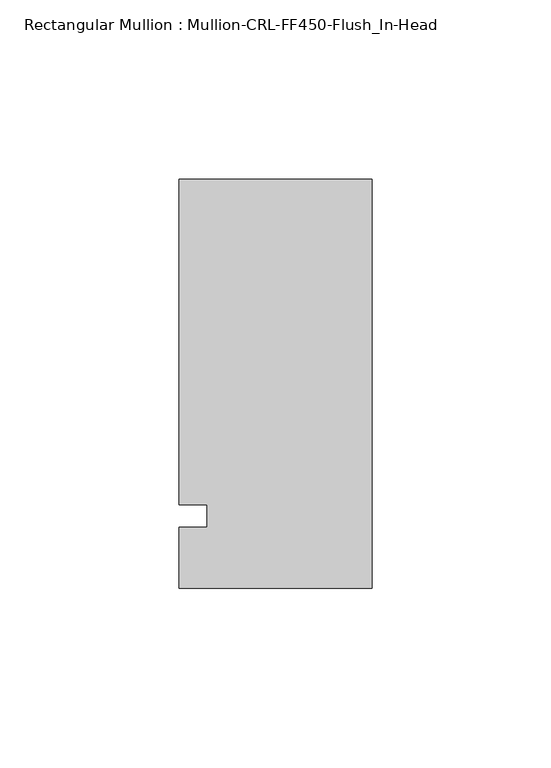
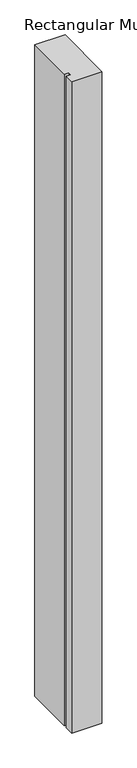
"""IFC4 building model written with IfcOpenShell, lengths in millimetres: member geometry, Rectangular Mullion : Mullion-CRL-FF450-Flush_In-Head."""

from ifc_helpers import new_model, si_unit, frame, origin, place, context, project, spatial, polyline, outline, extrude, source, transform, mapped, element, save


def rectangular_mullion_mullion_crl_ff450_flush_in_head_4e334f8f(model_context):
    return source(origin(), model_context, "Body", "SweptSolid", [
        extrude(outline(polyline([(0.0, 94.1598412), (0.0, -20.1219975), (-53.9750401, -20.1219975), (-53.9750401, -3.1555912), (-46.0375401, -3.1555912), (-46.0375401, 3.1944088), (-53.9750401, 3.1944088), (-53.9750401, 94.1598412), (0.0, 94.1598412)])), frame((0.0, 0.0, -1231.8999801), z_axis=(0.0, 0.0, 1.0), x_axis=(1.0, 0.0, 0.0)), (0.0, 0.0, 1.0), 1231.8999801),
    ])


if __name__ == "__main__":
    model = new_model("IFC4")
    model_context = context("Model", 3, world=origin())
    ifc_project = project(units=[si_unit("LENGTHUNIT", "METRE", prefix="MILLI")], contexts=[model_context])
    site = spatial("IfcSite", under=ifc_project)
    building = spatial("IfcBuilding", under=site)
    placement = place(None, origin())
    rectangular_mullion_mullion_crl_ff450_flush_in_head_shape = rectangular_mullion_mullion_crl_ff450_flush_in_head_4e334f8f(model_context)
    element("IfcMember", 1, ObjectType="Rectangular Mullion : Mullion-CRL-FF450-Flush_In-Head", at=placement, inside=building, context=model_context, shape_type="MappedRepresentation", body=[
        mapped(rectangular_mullion_mullion_crl_ff450_flush_in_head_shape, transform((0.0, 0.0, 0.0), x_axis=(1.0, 0.0, 0.0), y_axis=(0.0, 1.0, 0.0), z_axis=(0.0, 0.0, 1.0))),
    ])
    save(model, "model.ifc")
